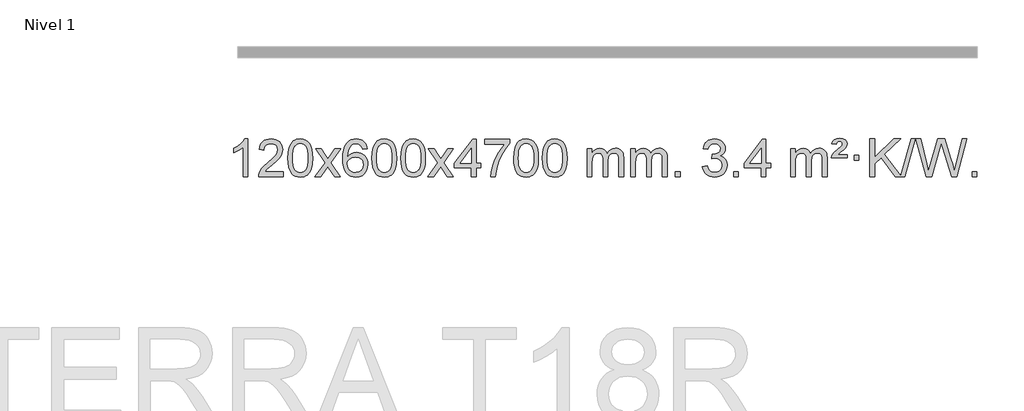
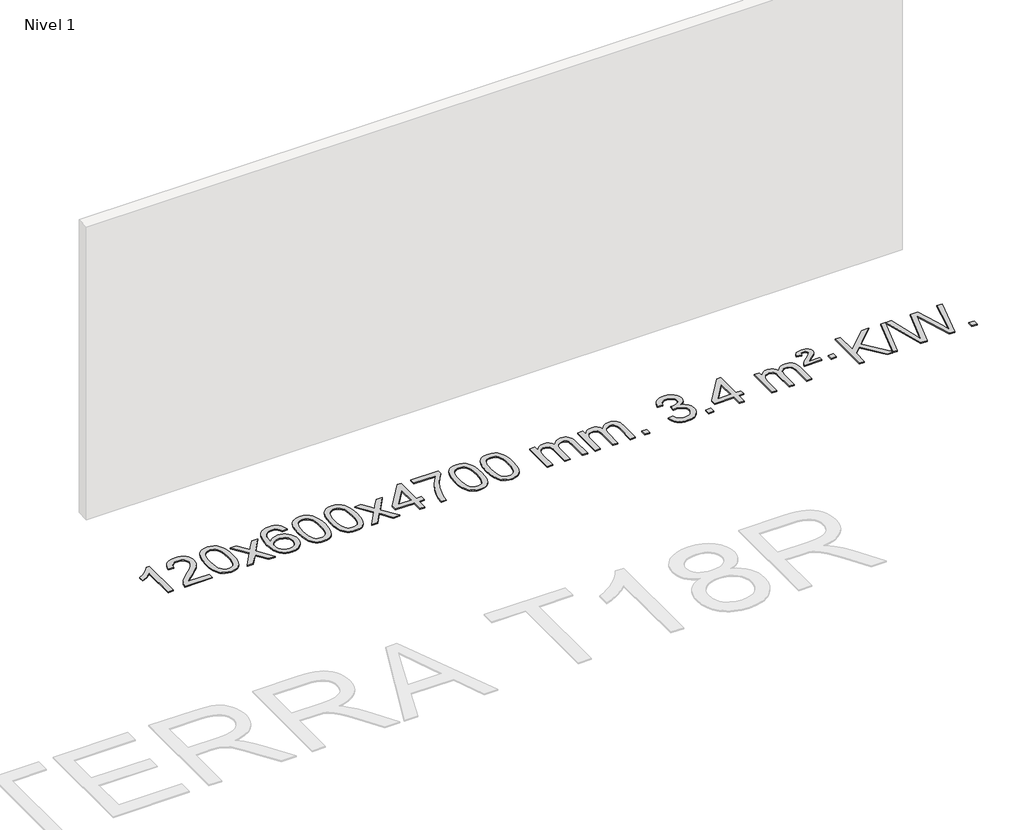
# One storey, part 6 of 12: 1 proxy.
"""IFC4 building model written with IfcOpenShell, lengths in millimetres."""

from ifc_helpers import new_model, si_unit, origin, origin_with_axes, place, context, project, spatial, polyline, outline, extrude, element, save

model = new_model("IFC4")

# Units and contexts
model_context = context("Model", 3, world=origin())
ifc_project = project(units=[si_unit("LENGTHUNIT", "METRE", prefix="MILLI")], contexts=[model_context])

# Site, building, storey
site = spatial("IfcSite", under=ifc_project)
building = spatial("IfcBuilding", under=site)
storey = spatial("IfcBuildingStorey", under=building, Name="Nivel 1", Elevation=0.0)

# Proxy
placement = place(None, origin())
element("IfcBuildingElementProxy", 1, Name="Texto de modelo 1", ObjectType="Texto de modelo 1", at=placement, inside=storey, context=model_context, shape_type="SweptSolid", body=[
    extrude(outline(polyline([(-1721.6378538, -12403.579453), (-1771.8660089, -12403.579453), (-1771.8660089, -12090.4382987), (-1792.8352826, -12107.3976587), (-1819.4454136, -12124.3324932), (-1872.3223191, -12149.6918254), (-1872.3223191, -12102.2105225), (-1832.8731065, -12080.7507395), (-1798.6968691, -12055.219729), (-1771.7556443, -12028.0700378), (-1754.0114694, -12001.7542124), (-1721.6378538, -12001.7542124), (-1721.6378538, -12403.579453)])), origin_with_axes(), (0.0, 0.0, 1.0), 10.0),
    extrude(outline(polyline([(-1344.9266908, -12353.3512979), (-1344.9266908, -12403.579453), (-1608.6245049, -12403.579453), (-1607.5208589, -12385.8965918), (-1603.2289023, -12368.9494945), (-1590.8435418, -12341.8856424), (-1572.7192222, -12315.6311307), (-1546.5014987, -12288.1503456), (-1509.8359265, -12257.4076736), (-1455.6346459, -12209.2641831), (-1423.1138775, -12173.7267824), (-1406.8534933, -12144.884834), (-1401.4333652, -12116.8277005), (-1406.546925, -12091.6768347), (-1421.8876042, -12070.7688747), (-1445.4688401, -12056.6789943), (-1475.3040699, -12051.9823675), (-1506.6353531, -12056.5686297), (-1530.9768785, -12070.3274163), (-1546.6854397, -12092.1796068), (-1552.1178305, -12121.0460807), (-1602.3459855, -12114.7675613), (-1598.0264378, -12088.838012), (-1590.1690915, -12066.1826125), (-1578.7739467, -12046.8013627), (-1563.8410034, -12030.6942627), (-1545.7136181, -12018.0329907), (-1524.7351473, -12008.989225), (-1500.9055911, -12003.5629655), (-1474.2249494, -12001.7542124), (-1447.3051844, -12003.7653006), (-1423.3468694, -12009.7985654), (-1402.3500046, -12019.8540066), (-1384.3145897, -12033.9316242), (-1369.8292362, -12050.9890861), (-1359.4825551, -12069.9840598), (-1353.2745464, -12090.9165453), (-1351.2052102, -12113.7865427), (-1353.4370276, -12137.8092369), (-1360.1324799, -12161.4149983), (-1372.0150684, -12185.4254299), (-1389.8082942, -12210.6621347), (-1418.171996, -12240.7916701), (-1461.7660125, -12279.4805933), (-1519.5480112, -12327.795762), (-1542.2095421, -12353.3512979), (-1344.9266908, -12353.3512979)])), origin_with_axes(), (0.0, 0.0, 1.0), 10.0),
    extrude(outline(polyline([(-1294.6985357, -12205.9041943), (-1291.007453, -12141.5861588), (-1279.934205, -12090.2911459), (-1261.5891561, -12051.2343407), (-1249.7310932, -12036.0009605), (-1236.0826711, -12023.6309284), (-1220.5979048, -12014.0598651), (-1203.230809, -12007.2233914), (-1162.8496286, -12001.7542124), (-1131.8984901, -12004.991574), (-1104.1847131, -12014.7036586), (-1081.0081474, -12030.5103217), (-1063.6686427, -12052.0314184), (-1050.5720437, -12079.0830078), (-1040.1241951, -12111.4811488), (-1033.2815899, -12152.6226186), (-1031.0007216, -12205.9041943), (-1034.6550161, -12269.8543477), (-1045.6178995, -12321.0267333), (-1063.8525837, -12360.1203266), (-1075.6830556, -12375.3996922), (-1089.3222805, -12387.8341036), (-1104.825441, -12397.4695462), (-1122.2477191, -12404.3520052), (-1162.8496286, -12409.8579724), (-1190.5143547, -12407.4667394), (-1215.039821, -12400.2930405), (-1236.4260277, -12388.3368757), (-1254.6729746, -12371.5982449), (-1272.1841576, -12341.3399508), (-1284.6921454, -12303.6381776), (-1292.1969381, -12258.4929255), (-1294.6985357, -12205.9041943)]), holes=[polyline([(-1244.4703806, -12205.8060924), (-1242.9988527, -12249.4706195), (-1238.5842687, -12284.8148822), (-1231.2266288, -12311.8388804), (-1220.9259329, -12330.5426142), (-1208.466996, -12343.2682656), (-1194.634633, -12352.3580165), (-1179.4288439, -12357.8118671), (-1162.8496286, -12359.6298173), (-1146.2704134, -12357.8057357), (-1131.0646243, -12352.3334911), (-1117.2322612, -12343.2130833), (-1104.7733243, -12330.4445124), (-1094.4726285, -12311.7101217), (-1087.1149886, -12284.6922549), (-1082.7004046, -12249.3909118), (-1081.2288766, -12205.8060924), (-1082.6513537, -12163.2973278), (-1086.9187848, -12128.5753989), (-1094.0311701, -12101.6403055), (-1103.9885094, -12082.4920476), (-1116.2389799, -12069.1440625), (-1130.2307584, -12059.6097875), (-1145.9638451, -12053.8892225), (-1163.4382398, -12051.9823675), (-1179.931616, -12053.6623619), (-1194.8798877, -12058.7023452), (-1208.283055, -12067.1023175), (-1220.141118, -12078.8622786), (-1230.7851704, -12099.708925), (-1238.388065, -12127.8151094), (-1242.9498017, -12163.1808319), (-1244.4703806, -12205.8060924)])]), origin_with_axes(), (0.0, 0.0, 1.0), 10.0),
    extrude(outline(polyline([(-1005.886644, -12403.579453), (-898.5632033, -12255.2494325), (-999.6081246, -12108.4890419), (-939.1773756, -12108.4890419), (-890.4207485, -12179.122385), (-867.6611157, -12212.4770192), (-847.9426408, -12185.2047007), (-792.416985, -12108.4890419), (-731.9862359, -12108.4890419), (-838.1324542, -12255.2494325), (-735.9103105, -12403.579453), (-796.3410596, -12403.579453), (-857.8509292, -12314.4048574), (-869.1326437, -12298.1199477), (-945.455895, -12403.579453), (-1005.886644, -12403.579453)])), origin_with_axes(), (0.0, 0.0, 1.0), 10.0),
    extrude(outline(polyline([(-447.0984188, -12108.4890419), (-497.3265739, -12114.7675613), (-505.4199778, -12089.874213), (-516.3583358, -12072.8780648), (-539.142494, -12057.2062918), (-566.6845927, -12051.9823675), (-590.0328367, -12055.0235253), (-612.0076545, -12064.1469988), (-630.8800009, -12083.3627017), (-646.2942565, -12109.8134171), (-656.7053169, -12147.227016), (-660.5680779, -12199.3313693), (-640.4204073, -12175.8237098), (-616.2750857, -12159.2567573), (-589.4810137, -12149.434308), (-561.387092, -12146.1601582), (-537.2540331, -12148.398107), (-514.9849097, -12155.1119534), (-494.5797217, -12166.3016975), (-476.0384691, -12181.9673391), (-460.6303449, -12201.1769106), (-449.6245419, -12222.9984443), (-443.02106, -12247.4319401), (-440.8198994, -12274.4773982), (-444.9647033, -12310.4439945), (-457.3991147, -12343.786366), (-477.0930642, -12372.0642287), (-503.0164821, -12392.8372987), (-533.9921461, -12405.602804), (-568.8428338, -12409.8579724), (-598.7853625, -12407.0375437), (-625.8277548, -12398.5762579), (-649.9700107, -12384.4741147), (-671.2121303, -12364.7311143), (-688.5301752, -12338.5133908), (-700.9002073, -12304.9870783), (-708.3222266, -12264.1521768), (-710.796233, -12216.0086864), (-708.0493807, -12162.0342663), (-699.808824, -12115.9693092), (-686.0745629, -12077.8138149), (-666.8465973, -12047.5677835), (-646.0060823, -12027.5243462), (-621.8423665, -12013.2076052), (-594.3554501, -12004.6175606), (-563.545333, -12001.7542124), (-540.4116869, -12003.5261773), (-519.47307, -12008.8420722), (-500.7294824, -12017.7018969), (-484.1809239, -12030.1056515), (-470.2749845, -12045.6364031), (-459.4592539, -12063.8772186), (-451.733732, -12084.8280983), (-447.0984188, -12108.4890419)]), holes=[polyline([(-660.5680779, -12273.6925832), (-657.6618101, -12295.9494439), (-648.9430068, -12317.2007605), (-635.4049494, -12335.472233), (-618.0409193, -12348.7895612), (-597.0839083, -12356.9197533), (-572.7669084, -12359.6298173), (-539.6207406, -12354.0134855), (-525.7056041, -12346.9930708), (-513.5624326, -12337.1644901), (-503.7123922, -12324.9262824), (-496.676649, -12310.6769865), (-491.0480545, -12276.1451299), (-496.6030726, -12242.9989621), (-503.5468453, -12229.3781312), (-513.268127, -12217.725469), (-525.4480867, -12208.3904634), (-539.7678934, -12201.7226022), (-574.8270476, -12196.3883133), (-607.9241644, -12201.7226022), (-635.6011532, -12217.725469), (-646.5241827, -12229.2248471), (-654.3263467, -12242.3858254), (-659.0076451, -12257.2084042), (-660.5680779, -12273.6925832)])]), origin_with_axes(), (0.0, 0.0, 1.0), 10.0),
    extrude(outline(polyline([(-396.8702638, -12205.9041943), (-393.1791811, -12141.5861588), (-382.105933, -12090.2911459), (-363.7608842, -12051.2343407), (-351.9028212, -12036.0009605), (-338.2543992, -12023.6309284), (-322.7696329, -12014.0598651), (-305.402537, -12007.2233914), (-265.0213567, -12001.7542124), (-234.0702182, -12004.991574), (-206.3564412, -12014.7036586), (-183.1798755, -12030.5103217), (-165.8403708, -12052.0314184), (-152.7437718, -12079.0830078), (-142.2959231, -12111.4811488), (-135.453318, -12152.6226186), (-133.1724496, -12205.9041943), (-136.8267441, -12269.8543477), (-147.7896275, -12321.0267333), (-166.0243118, -12360.1203266), (-177.8547836, -12375.3996922), (-191.4940086, -12387.8341036), (-206.997169, -12397.4695462), (-224.4194471, -12404.3520052), (-265.0213567, -12409.8579724), (-292.6860827, -12407.4667394), (-317.2115491, -12400.2930405), (-338.5977557, -12388.3368757), (-356.8447027, -12371.5982449), (-374.3558856, -12341.3399508), (-386.8638735, -12303.6381776), (-394.3686662, -12258.4929255), (-396.8702638, -12205.9041943)]), holes=[polyline([(-346.6421087, -12205.8060924), (-345.1705807, -12249.4706195), (-340.7559968, -12284.8148822), (-333.3983568, -12311.8388804), (-323.097661, -12330.5426142), (-310.6387241, -12343.2682656), (-296.8063611, -12352.3580165), (-281.6005719, -12357.8118671), (-265.0213567, -12359.6298173), (-248.4421414, -12357.8057357), (-233.2363523, -12352.3334911), (-219.4039893, -12343.2130833), (-206.9450524, -12330.4445124), (-196.6443565, -12311.7101217), (-189.2867166, -12284.6922549), (-184.8721327, -12249.3909118), (-183.4006047, -12205.8060924), (-184.8230817, -12163.2973278), (-189.0905129, -12128.5753989), (-196.2028981, -12101.6403055), (-206.1602375, -12082.4920476), (-218.4107079, -12069.1440625), (-232.4024864, -12059.6097875), (-248.1355731, -12053.8892225), (-265.6099679, -12051.9823675), (-282.103344, -12053.6623619), (-297.0516157, -12058.7023452), (-310.4547831, -12067.1023175), (-322.3128461, -12078.8622786), (-332.9568985, -12099.708925), (-340.559793, -12127.8151094), (-345.1215298, -12163.1808319), (-346.6421087, -12205.8060924)])]), origin_with_axes(), (0.0, 0.0, 1.0), 10.0),
    extrude(outline(polyline([(-89.2228139, -12205.9041943), (-85.5317312, -12141.5861588), (-74.4584832, -12090.2911459), (-56.1134344, -12051.2343407), (-44.2553714, -12036.0009605), (-30.6069494, -12023.6309284), (-15.122183, -12014.0598651), (2.2449128, -12007.2233914), (42.6260932, -12001.7542124), (73.5772317, -12004.991574), (101.2910087, -12014.7036586), (124.4675743, -12030.5103217), (141.8070791, -12052.0314184), (154.9036781, -12079.0830078), (165.3515267, -12111.4811488), (172.1941319, -12152.6226186), (174.4750002, -12205.9041943), (170.8207057, -12269.8543477), (159.8578223, -12321.0267333), (141.6231381, -12360.1203266), (129.7926662, -12375.3996922), (116.1534413, -12387.8341036), (100.6502808, -12397.4695462), (83.2280027, -12404.3520052), (42.6260932, -12409.8579724), (14.9613671, -12407.4667394), (-9.5640992, -12400.2930405), (-30.9503059, -12388.3368757), (-49.1972528, -12371.5982449), (-66.7084358, -12341.3399508), (-79.2164236, -12303.6381776), (-86.7212164, -12258.4929255), (-89.2228139, -12205.9041943)]), holes=[polyline([(-38.9946588, -12205.8060924), (-37.5231309, -12249.4706195), (-33.1085469, -12284.8148822), (-25.750907, -12311.8388804), (-15.4502112, -12330.5426142), (-2.9912742, -12343.2682656), (10.8410888, -12352.3580165), (26.0468779, -12357.8118671), (42.6260932, -12359.6298173), (59.2053084, -12357.8057357), (74.4110975, -12352.3334911), (88.2434606, -12343.2130833), (100.7023975, -12330.4445124), (111.0030933, -12311.7101217), (118.3607332, -12284.6922549), (122.7753172, -12249.3909118), (124.2468452, -12205.8060924), (122.8243681, -12163.2973278), (118.556937, -12128.5753989), (111.4445517, -12101.6403055), (101.4872124, -12082.4920476), (89.2367419, -12069.1440625), (75.2449634, -12059.6097875), (59.5118767, -12053.8892225), (42.037482, -12051.9823675), (25.5441058, -12053.6623619), (10.5958341, -12058.7023452), (-2.8073333, -12067.1023175), (-14.6653962, -12078.8622786), (-25.3094486, -12099.708925), (-32.9123432, -12127.8151094), (-37.4740799, -12163.1808319), (-38.9946588, -12205.8060924)])]), origin_with_axes(), (0.0, 0.0, 1.0), 10.0),
    extrude(outline(polyline([(199.5890778, -12403.579453), (306.9125185, -12255.2494325), (205.8675971, -12108.4890419), (266.2983462, -12108.4890419), (315.0549733, -12179.122385), (337.8146061, -12212.4770192), (357.533081, -12185.2047007), (413.0587368, -12108.4890419), (473.4894859, -12108.4890419), (367.3432676, -12255.2494325), (469.5654113, -12403.579453), (409.1346622, -12403.579453), (347.6247926, -12314.4048574), (336.3430781, -12298.1199477), (260.0198268, -12403.579453), (199.5890778, -12403.579453)])), origin_with_axes(), (0.0, 0.0, 1.0), 10.0),
    extrude(outline(polyline([(664.1995122, -12403.579453), (664.1995122, -12309.4016622), (482.1224501, -12309.4016622), (482.1224501, -12259.1735072), (676.756551, -12008.0327318), (714.4276673, -12008.0327318), (714.4276673, -12259.1735072), (764.6558224, -12259.1735072), (764.6558224, -12309.4016622), (714.4276673, -12309.4016622), (714.4276673, -12403.579453), (664.1995122, -12403.579453)]), holes=[polyline([(664.1995122, -12259.1735072), (664.1995122, -12103.9763561), (543.9266252, -12259.1735072), (664.1995122, -12259.1735072)])]), origin_with_axes(), (0.0, 0.0, 1.0), 10.0),
    extrude(outline(polyline([(808.605458, -12058.2608869), (808.605458, -12008.0327318), (1072.3032722, -12008.0327318), (1072.3032722, -12048.646904), (1034.717995, -12096.214046), (997.5005998, -12156.7061088), (964.6732631, -12224.6048623), (940.2581614, -12294.3920768), (928.2897338, -12346.6067947), (921.618807, -12403.579453), (871.3906519, -12403.579453), (876.8230427, -12351.8061935), (891.3543815, -12290.2717985), (914.5922609, -12225.0463207), (946.1442733, -12162.1998132), (982.9815238, -12105.3865704), (1022.0751171, -12058.2608869), (808.605458, -12058.2608869)])), origin_with_axes(), (0.0, 0.0, 1.0), 10.0),
    extrude(outline(polyline([(1116.2529079, -12205.9041943), (1119.9439906, -12141.5861588), (1131.0172386, -12090.2911459), (1149.3622874, -12051.2343407), (1161.2203504, -12036.0009605), (1174.8687724, -12023.6309284), (1190.3535388, -12014.0598651), (1207.7206346, -12007.2233914), (1248.1018149, -12001.7542124), (1279.0529535, -12004.991574), (1306.7667304, -12014.7036586), (1329.9432961, -12030.5103217), (1347.2828008, -12052.0314184), (1360.3793999, -12079.0830078), (1370.8272485, -12111.4811488), (1377.6698537, -12152.6226186), (1379.950722, -12205.9041943), (1376.2964275, -12269.8543477), (1365.3335441, -12321.0267333), (1347.0988599, -12360.1203266), (1335.268388, -12375.3996922), (1321.6291631, -12387.8341036), (1306.1260026, -12397.4695462), (1288.7037245, -12404.3520052), (1248.1018149, -12409.8579724), (1220.4370889, -12407.4667394), (1195.9116226, -12400.2930405), (1174.5254159, -12388.3368757), (1156.278469, -12371.5982449), (1138.767286, -12341.3399508), (1126.2592981, -12303.6381776), (1118.7545054, -12258.4929255), (1116.2529079, -12205.9041943)]), holes=[polyline([(1166.481063, -12205.8060924), (1167.9525909, -12249.4706195), (1172.3671749, -12284.8148822), (1179.7248148, -12311.8388804), (1190.0255106, -12330.5426142), (1202.4844475, -12343.2682656), (1216.3168106, -12352.3580165), (1231.5225997, -12357.8118671), (1248.1018149, -12359.6298173), (1264.6810302, -12357.8057357), (1279.8868193, -12352.3334911), (1293.7191824, -12343.2130833), (1306.1781193, -12330.4445124), (1316.4788151, -12311.7101217), (1323.836455, -12284.6922549), (1328.251039, -12249.3909118), (1329.7225669, -12205.8060924), (1328.3000899, -12163.2973278), (1324.0326588, -12128.5753989), (1316.9202735, -12101.6403055), (1306.9629342, -12082.4920476), (1294.7124637, -12069.1440625), (1280.7206852, -12059.6097875), (1264.9875985, -12053.8892225), (1247.5132038, -12051.9823675), (1231.0198276, -12053.6623619), (1216.0715559, -12058.7023452), (1202.6683885, -12067.1023175), (1190.8103256, -12078.8622786), (1180.1662732, -12099.708925), (1172.5633786, -12127.8151094), (1168.0016419, -12163.1808319), (1166.481063, -12205.8060924)])]), origin_with_axes(), (0.0, 0.0, 1.0), 10.0),
    extrude(outline(polyline([(1423.9003577, -12205.9041943), (1427.5914404, -12141.5861588), (1438.6646885, -12090.2911459), (1457.0097373, -12051.2343407), (1468.8678003, -12036.0009605), (1482.5162223, -12023.6309284), (1498.0009886, -12014.0598651), (1515.3680844, -12007.2233914), (1555.7492648, -12001.7542124), (1586.7004033, -12004.991574), (1614.4141803, -12014.7036586), (1637.590746, -12030.5103217), (1654.9302507, -12052.0314184), (1668.0268497, -12079.0830078), (1678.4746984, -12111.4811488), (1685.3173035, -12152.6226186), (1687.5981719, -12205.9041943), (1683.9438774, -12269.8543477), (1672.9809939, -12321.0267333), (1654.7463097, -12360.1203266), (1642.9158379, -12375.3996922), (1629.2766129, -12387.8341036), (1613.7734525, -12397.4695462), (1596.3511743, -12404.3520052), (1555.7492648, -12409.8579724), (1528.0845387, -12407.4667394), (1503.5590724, -12400.2930405), (1482.1728657, -12388.3368757), (1463.9259188, -12371.5982449), (1446.4147358, -12341.3399508), (1433.906748, -12303.6381776), (1426.4019553, -12258.4929255), (1423.9003577, -12205.9041943)]), holes=[polyline([(1474.1285128, -12205.8060924), (1475.6000408, -12249.4706195), (1480.0146247, -12284.8148822), (1487.3722646, -12311.8388804), (1497.6729605, -12330.5426142), (1510.1318974, -12343.2682656), (1523.9642604, -12352.3580165), (1539.1700495, -12357.8118671), (1555.7492648, -12359.6298173), (1572.32848, -12357.8057357), (1587.5342692, -12352.3334911), (1601.3666322, -12343.2130833), (1613.8255691, -12330.4445124), (1624.126265, -12311.7101217), (1631.4839049, -12284.6922549), (1635.8984888, -12249.3909118), (1637.3700168, -12205.8060924), (1635.9475397, -12163.2973278), (1631.6801086, -12128.5753989), (1624.5677233, -12101.6403055), (1614.610384, -12082.4920476), (1602.3599136, -12069.1440625), (1588.368135, -12059.6097875), (1572.6350484, -12053.8892225), (1555.1606536, -12051.9823675), (1538.6672775, -12053.6623619), (1523.7190057, -12058.7023452), (1510.3158384, -12067.1023175), (1498.4577754, -12078.8622786), (1487.813723, -12099.708925), (1480.2108284, -12127.8151094), (1475.6490917, -12163.1808319), (1474.1285128, -12205.8060924)])]), origin_with_axes(), (0.0, 0.0, 1.0), 10.0),
    extrude(outline(polyline([(1901.0678309, -12403.579453), (1901.0678309, -12108.4890419), (1951.295986, -12108.4890419), (1951.295986, -12157.0494653), (1966.4036733, -12134.7435537), (1985.8278426, -12117.2691589), (2008.9063064, -12105.9751816), (2034.9768772, -12102.2105225), (2062.9113833, -12106.048758), (2085.3031341, -12117.5634645), (2102.0295022, -12135.9943524), (2112.9678601, -12160.5811324), (2131.2761208, -12135.0439906), (2152.1595554, -12116.803175), (2175.6181639, -12105.8586857), (2201.6519464, -12102.2105225), (2221.7597632, -12103.7280358), (2239.4089019, -12108.2805755), (2254.5993626, -12115.8681416), (2267.3311453, -12126.4907342), (2277.3957836, -12140.2709806), (2284.5848109, -12157.3315082), (2288.8982273, -12177.6723168), (2290.3360328, -12201.2934066), (2290.3360328, -12403.579453), (2240.1078777, -12403.579453), (2240.1078777, -12222.875817), (2238.942918, -12197.8230531), (2235.4480391, -12180.9372695), (2228.8997396, -12169.3735121), (2218.5745182, -12160.2868268), (2205.2939782, -12154.4007149), (2189.8797226, -12152.4386776), (2162.6687177, -12157.4663982), (2140.4854334, -12172.54956), (2131.8800604, -12184.1194488), (2125.7333654, -12198.7182326), (2120.8160094, -12237.0024856), (2120.8160094, -12403.579453), (2070.5878543, -12403.579453), (2070.5878543, -12217.2840106), (2067.6815865, -12188.8835206), (2058.9627833, -12168.6254854), (2043.6221041, -12156.4853796), (2020.8502086, -12152.4386776), (2001.4996156, -12155.1364789), (1983.6696016, -12163.2298828), (1968.9543218, -12176.5226856), (1958.9479315, -12194.8186835), (1953.2089724, -12220.2025411), (1951.295986, -12254.7589232), (1951.295986, -12403.579453), (1901.0678309, -12403.579453)])), origin_with_axes(), (0.0, 0.0, 1.0), 10.0),
    extrude(outline(polyline([(2365.6782654, -12403.579453), (2365.6782654, -12108.4890419), (2415.9064204, -12108.4890419), (2415.9064204, -12157.0494653), (2431.0141077, -12134.7435537), (2450.4382771, -12117.2691589), (2473.5167409, -12105.9751816), (2499.5873116, -12102.2105225), (2527.5218178, -12106.048758), (2549.9135685, -12117.5634645), (2566.6399366, -12135.9943524), (2577.5782946, -12160.5811324), (2595.8865552, -12135.0439906), (2616.7699898, -12116.803175), (2640.2285984, -12105.8586857), (2666.2623809, -12102.2105225), (2686.3701976, -12103.7280358), (2704.0193363, -12108.2805755), (2719.209797, -12115.8681416), (2731.9415798, -12126.4907342), (2742.006218, -12140.2709806), (2749.1952453, -12157.3315082), (2753.5086617, -12177.6723168), (2754.9464672, -12201.2934066), (2754.9464672, -12403.579453), (2704.7183121, -12403.579453), (2704.7183121, -12222.875817), (2703.5533525, -12197.8230531), (2700.0584735, -12180.9372695), (2693.510174, -12169.3735121), (2683.1849527, -12160.2868268), (2669.9044126, -12154.4007149), (2654.490157, -12152.4386776), (2627.2791521, -12157.4663982), (2605.0958678, -12172.54956), (2596.4904948, -12184.1194488), (2590.3437998, -12198.7182326), (2585.4264438, -12237.0024856), (2585.4264438, -12403.579453), (2535.1982887, -12403.579453), (2535.1982887, -12217.2840106), (2532.292021, -12188.8835206), (2523.5732177, -12168.6254854), (2508.2325385, -12156.4853796), (2485.460643, -12152.4386776), (2466.11005, -12155.1364789), (2448.280036, -12163.2298828), (2433.5647562, -12176.5226856), (2423.5583659, -12194.8186835), (2417.8194068, -12220.2025411), (2415.9064204, -12254.7589232), (2415.9064204, -12403.579453), (2365.6782654, -12403.579453)])), origin_with_axes(), (0.0, 0.0, 1.0), 10.0),
    extrude(outline(polyline([(2842.8457386, -12403.579453), (2842.8457386, -12353.3512979), (2893.0738936, -12353.3512979), (2893.0738936, -12403.579453), (2842.8457386, -12403.579453)])), origin_with_axes(), (0.0, 0.0, 1.0), 10.0),
    extrude(outline(polyline([(3131.6576303, -12296.8446235), (3181.8857853, -12290.5661041), (3193.1307116, -12322.1303793), (3209.5995623, -12343.4430095), (3232.1016777, -12355.5831154), (3261.4463982, -12359.6298173), (3295.8801529, -12354.0625364), (3310.1539743, -12347.1034354), (3322.4657584, -12337.3606939), (3339.4619066, -12312.4428201), (3345.1272893, -12282.2274455), (3339.5109575, -12253.5449126), (3322.6619621, -12230.2825078), (3297.1554772, -12214.8682522), (3265.5666765, -12209.730167), (3230.3481068, -12215.2238715), (3235.9399132, -12164.9957164), (3243.9842661, -12165.5843276), (3274.0770133, -12161.979084), (3300.9814499, -12151.1633534), (3312.054698, -12142.9841103), (3319.9641609, -12132.8673555), (3324.7098386, -12120.8130888), (3326.2917312, -12106.8213102), (3321.705469, -12085.1285352), (3307.9466823, -12067.5315131), (3286.9528832, -12055.8696539), (3260.6615832, -12051.9823675), (3234.3212324, -12055.9064421), (3212.7878729, -12067.6786659), (3197.067049, -12087.299039), (3188.1643047, -12114.7675613), (3137.9361496, -12108.4890419), (3143.8897066, -12084.5092672), (3152.7250058, -12063.3867093), (3164.4420474, -12045.1213683), (3179.0408312, -12029.713244), (3196.0615049, -12017.4811677), (3215.0442158, -12008.7439703), (3235.9889641, -12003.5016519), (3258.8957497, -12001.7542124), (3290.4722876, -12005.2000404), (3319.4736515, -12015.5375245), (3343.9255415, -12031.8469596), (3361.8536574, -12053.2086408), (3372.853329, -12077.8199463), (3376.5198862, -12103.8782543), (3373.03727, -12128.1584659), (3362.5894214, -12150.1823347), (3345.3234931, -12168.9443165), (3321.3866379, -12183.4388671), (3352.8282858, -12196.1430586), (3376.1274788, -12217.77452), (3390.548453, -12247.1560286), (3395.3554444, -12283.1103623), (3392.9519487, -12308.5923218), (3385.7414616, -12332.0631931), (3373.7239831, -12353.5229762), (3356.8995132, -12372.971671), (3336.4023547, -12389.1094278), (3313.3668104, -12400.636397), (3287.7928804, -12407.5525785), (3259.6805646, -12409.8579724), (3234.2721814, -12407.8898037), (3211.1201412, -12401.9852977), (3190.2244439, -12392.1444543), (3171.5850895, -12378.3672736), (3155.956236, -12361.4630959), (3144.0920417, -12342.2412617), (3135.9925064, -12320.7017708), (3131.6576303, -12296.8446235)])), origin_with_axes(), (0.0, 0.0, 1.0), 10.0),
    extrude(outline(polyline([(3464.4191576, -12403.579453), (3464.4191576, -12353.3512979), (3514.6473127, -12353.3512979), (3514.6473127, -12403.579453), (3464.4191576, -12403.579453)])), origin_with_axes(), (0.0, 0.0, 1.0), 10.0),
    extrude(outline(polyline([(3759.5095687, -12403.579453), (3759.5095687, -12309.4016622), (3577.4325065, -12309.4016622), (3577.4325065, -12259.1735072), (3772.0666075, -12008.0327318), (3809.7377238, -12008.0327318), (3809.7377238, -12259.1735072), (3859.9658788, -12259.1735072), (3859.9658788, -12309.4016622), (3809.7377238, -12309.4016622), (3809.7377238, -12403.579453), (3759.5095687, -12403.579453)]), holes=[polyline([(3759.5095687, -12259.1735072), (3759.5095687, -12103.9763561), (3639.2366817, -12259.1735072), (3759.5095687, -12259.1735072)])]), origin_with_axes(), (0.0, 0.0, 1.0), 10.0),
    extrude(outline(polyline([(4073.4355379, -12403.579453), (4073.4355379, -12108.4890419), (4123.663693, -12108.4890419), (4123.663693, -12157.0494653), (4138.7713803, -12134.7435537), (4158.1955496, -12117.2691589), (4181.2740134, -12105.9751816), (4207.3445842, -12102.2105225), (4235.2790903, -12106.048758), (4257.6708411, -12117.5634645), (4274.3972091, -12135.9943524), (4285.3355671, -12160.5811324), (4303.6438278, -12135.0439906), (4324.5272623, -12116.803175), (4347.9858709, -12105.8586857), (4374.0196534, -12102.2105225), (4394.1274702, -12103.7280358), (4411.7766089, -12108.2805755), (4426.9670696, -12115.8681416), (4439.6988523, -12126.4907342), (4449.7634906, -12140.2709806), (4456.9525179, -12157.3315082), (4461.2659343, -12177.6723168), (4462.7037397, -12201.2934066), (4462.7037397, -12403.579453), (4412.4755847, -12403.579453), (4412.4755847, -12222.875817), (4411.310625, -12197.8230531), (4407.8157461, -12180.9372695), (4401.2674465, -12169.3735121), (4390.9422252, -12160.2868268), (4377.6616852, -12154.4007149), (4362.2474296, -12152.4386776), (4335.0364247, -12157.4663982), (4312.8531404, -12172.54956), (4304.2477674, -12184.1194488), (4298.1010724, -12198.7182326), (4293.1837164, -12237.0024856), (4293.1837164, -12403.579453), (4242.9555613, -12403.579453), (4242.9555613, -12217.2840106), (4240.0492935, -12188.8835206), (4231.3304902, -12168.6254854), (4215.989811, -12156.4853796), (4193.2179155, -12152.4386776), (4173.8673226, -12155.1364789), (4156.0373086, -12163.2298828), (4141.3220287, -12176.5226856), (4131.3156385, -12194.8186835), (4125.5766794, -12220.2025411), (4123.663693, -12254.7589232), (4123.663693, -12403.579453), (4073.4355379, -12403.579453)])), origin_with_axes(), (0.0, 0.0, 1.0), 10.0),
    extrude(outline(polyline([(4506.6533754, -12202.6668327), (4510.4793482, -12186.8479069), (4518.8180067, -12170.9799302), (4540.3268407, -12145.8413272), (4572.2835234, -12118.1030247), (4616.4293628, -12080.726214), (4623.5662735, -12069.1992448), (4625.9452437, -12057.3779701), (4624.0567828, -12045.2869152), (4618.3914001, -12035.5012541), (4609.022672, -12029.026531), (4596.0241748, -12026.8682899), (4583.5897634, -12028.4869707), (4574.73607, -12033.343013), (4568.3103978, -12042.8098431), (4563.1600499, -12058.2608869), (4512.9318948, -12051.9823675), (4523.7721509, -12026.7701881), (4540.4004171, -12009.2099542), (4564.165594, -11998.9092583), (4596.4165822, -11995.475693), (4632.1992376, -11999.6082341), (4656.9454332, -12012.0058573), (4671.3664074, -12030.3386434), (4676.1733988, -12052.2766731), (4672.0776459, -12075.1834586), (4659.7903873, -12096.8149199), (4639.262572, -12116.6314968), (4602.7932035, -12144.6886303), (4577.1886166, -12171.2742358), (4676.1733988, -12171.2742358), (4676.1733988, -12202.6668327), (4506.6533754, -12202.6668327)])), origin_with_axes(), (0.0, 0.0, 1.0), 10.0),
    extrude(outline(polyline([(4751.5156314, -12227.7809102), (4751.5156314, -12177.5527552), (4801.7437865, -12177.5527552), (4801.7437865, -12227.7809102), (4751.5156314, -12227.7809102)])), origin_with_axes(), (0.0, 0.0, 1.0), 10.0),
    extrude(outline(polyline([(5192.3854144, -12403.579453), (5038.954097, -12200.9009991), (4971.2638099, -12265.4520265), (4971.2638099, -12403.579453), (4921.0356548, -12403.579453), (4921.0356548, -12001.7542124), (4971.2638099, -12001.7542124), (4971.2638099, -12198.4484525), (5177.2777272, -12001.7542124), (5247.5186628, -12001.7542124), (5074.5650741, -12166.9577537), (5249.218684, -12397.5349332), (5360.5320117, -12001.7542124), (5405.8550735, -12001.7542124), (5292.8417246, -12403.579453), (5253.7971822, -12403.579453), (5247.5186628, -12403.579453), (5192.3854144, -12403.579453)])), origin_with_axes(), (0.0, 0.0, 1.0), 10.0),
    extrude(outline(polyline([(5520.3399504, -12403.579453), (5410.7601668, -12001.7542124), (5462.5579517, -12001.7542124), (5526.1279605, -12265.844434), (5545.7483335, -12347.3670841), (5566.7421327, -12275.2622131), (5646.4008474, -12001.7542124), (5721.056367, -12001.7542124), (5778.9364675, -12200.0180823), (5803.731714, -12273.5944814), (5822.0031864, -12347.3670841), (5841.0349483, -12268.1988788), (5905.1935683, -12001.7542124), (5956.9913532, -12001.7542124), (5847.3134677, -12403.579453), (5793.6517474, -12403.579453), (5697.3157155, -12093.5775584), (5683.87576, -12050.3146358), (5668.7680727, -12102.4067263), (5580.9669032, -12403.579453), (5520.3399504, -12403.579453)])), origin_with_axes(), (0.0, 0.0, 1.0), 10.0),
    extrude(outline(polyline([(6013.4980277, -12403.579453), (6013.4980277, -12353.3512979), (6063.7261827, -12353.3512979), (6063.7261827, -12403.579453), (6013.4980277, -12403.579453)])), origin_with_axes(), (0.0, 0.0, 1.0), 10.0),
])

save(model, "model.ifc")
